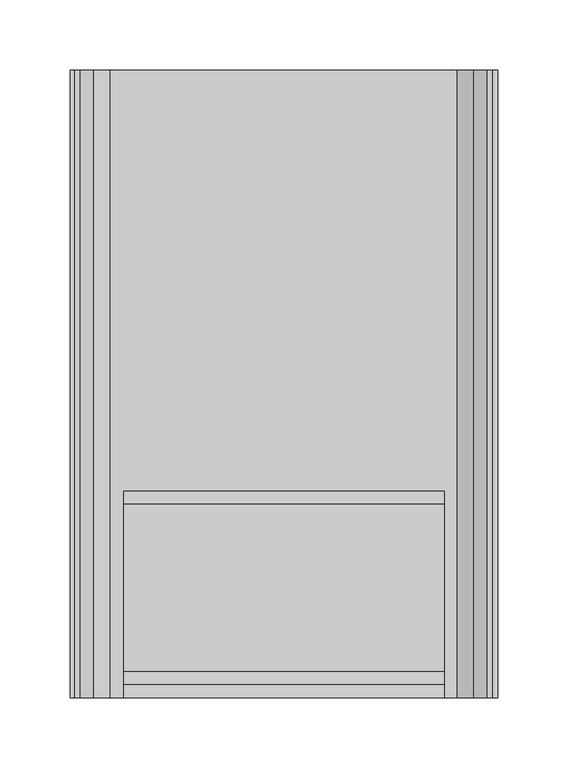
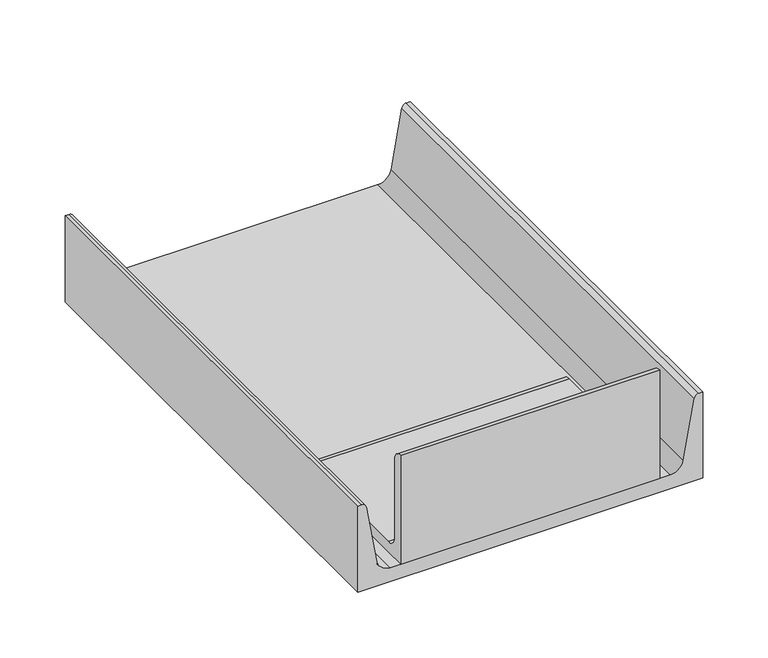
"""IFC4 building model written with IfcOpenShell, lengths in millimetres: fastener geometry."""

from ifc_helpers import new_model, si_unit, point, frame, frame_2d, origin, place, context, project, spatial, polyline, circle_curve, trimmed, segment, composite_curve, outline, extrude, source, transform, mapped, element, save


def fastener_b1de84f1(model_context):
    return source(origin(), model_context, "Body", "SweptSolid", [
        extrude(outline(composite_curve([segment(trimmed(circle_curve(frame_2d((138.1124846, 12.954)), 9.5250154), [point((138.1124846, 22.4790154))], [point((147.6375, 12.954))], False, "CARTESIAN"), True, "CONTINUOUS"), segment(polyline([(147.6375, 12.954), (0.0, 12.954), (0.0, 114.554)]), True, "CONTINUOUS"), segment(trimmed(circle_curve(frame_2d((3.72e-05, 105.029)), 9.525), [point((0.0, 114.554))], [point((9.5250372, 105.0289978))], False, "CARTESIAN"), True, "CONTINUOUS"), segment(polyline([(9.5250372, 105.0289978), (9.5250201, 32.0040217)]), True, "CONTINUOUS"), segment(trimmed(circle_curve(frame_2d((19.0500241, 32.0040195)), 9.5250041), [point((9.5250201, 32.0040217))], [point((19.0500241, 22.4790154))], True, "CARTESIAN"), True, "CONTINUOUS"), segment(polyline([(19.0500241, 22.4790154), (138.1124846, 22.4790154)]), True, "CONTINUOUS")], self_intersect=False)), frame((-114.3, 0.0, 0.0), z_axis=(1.0, 0.0, 0.0), x_axis=(0.0, 1.0, 0.0)), (0.0, 0.0, 1.0), 228.6),
        extrude(outline(composite_curve([segment(polyline([(80.518, -152.4), (0.0, -152.4), (0.0, 152.4), (80.518, 152.4), (80.518, 149.0156391)]), True, "CONTINUOUS"), segment(trimmed(circle_curve(frame_2d((76.4846756, 149.0156391)), 4.0333244), [point((80.518, 149.0156391))], [point((77.1850551, 145.04359))], False, "CARTESIAN"), True, "CONTINUOUS"), segment(polyline([(77.1850551, 145.04359), (22.6966262, 135.4358098)]), True, "CONTINUOUS"), segment(trimmed(circle_curve(frame_2d((24.7439253, 123.825)), 11.7899253), [point((22.6966262, 135.4358098))], [point((12.954, 123.825))], True, "CARTESIAN"), True, "CONTINUOUS"), segment(polyline([(12.954, 123.825), (12.954, -123.825)]), True, "CONTINUOUS"), segment(trimmed(circle_curve(frame_2d((24.7439253, -123.825)), 11.7899253), [point((12.954, -123.825))], [point((22.6966262, -135.4358098))], True, "CARTESIAN"), True, "CONTINUOUS"), segment(polyline([(22.6966262, -135.4358098), (77.1850551, -145.04359)]), True, "CONTINUOUS"), segment(trimmed(circle_curve(frame_2d((76.4846756, -149.0156391)), 4.0333244), [point((77.1850551, -145.04359))], [point((80.518, -149.0156391))], False, "CARTESIAN"), True, "CONTINUOUS"), segment(polyline([(80.518, -149.0156391), (80.518, -152.4)]), True, "CONTINUOUS")], self_intersect=False)), frame((0.0, 0.0, 0.0), z_axis=(0.0, 1.0, 0.0), x_axis=(0.0, 0.0, 1.0)), (0.0, 0.0, 1.0), 447.675),
    ])


if __name__ == "__main__":
    model = new_model("IFC4")
    model_context = context("Model", 3, world=origin())
    ifc_project = project(units=[si_unit("LENGTHUNIT", "METRE", prefix="MILLI")], contexts=[model_context])
    site = spatial("IfcSite", under=ifc_project)
    building = spatial("IfcBuilding", under=site)
    placement = place(None, origin())
    fastener_shape = fastener_b1de84f1(model_context)
    element("IfcFastener", 1, at=placement, inside=building, context=model_context, shape_type="MappedRepresentation", body=[
        mapped(fastener_shape, transform((0.0, 0.0, 0.0), x_axis=(1.0, 0.0, 0.0), y_axis=(0.0, 1.0, 0.0), z_axis=(0.0, 0.0, 1.0))),
    ])
    save(model, "model.ifc")
